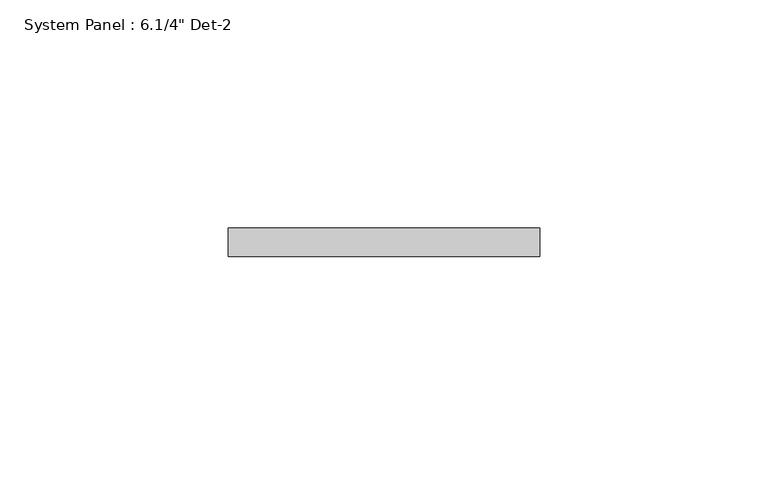
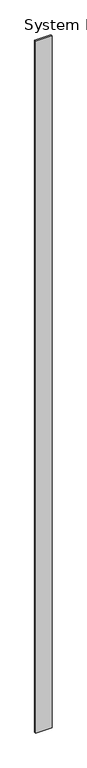
"""IFC4 building model written with IfcOpenShell, lengths in millimetres: plate geometry."""

from ifc_helpers import new_model, si_unit, origin, origin_with_axes, place, context, project, spatial, polyline, outline, extrude, source, transform, mapped, element, save


def plate_7b277104(model_context):
    return source(origin(), model_context, "Body", "SweptSolid", [
        extrude(outline(polyline([(34.1964419, 0.0), (-34.1964419, 0.0), (-34.1964419, 6.35), (34.1964419, 6.35), (34.1964419, 0.0)])), origin_with_axes(), (0.0, 0.0, 1.0), 3048.0),
    ])


if __name__ == "__main__":
    model = new_model("IFC4")
    model_context = context("Model", 3, world=origin())
    ifc_project = project(units=[si_unit("LENGTHUNIT", "METRE", prefix="MILLI")], contexts=[model_context])
    site = spatial("IfcSite", under=ifc_project)
    building = spatial("IfcBuilding", under=site)
    placement = place(None, origin())
    plate_shape = plate_7b277104(model_context)
    element("IfcPlate", 1, ObjectType="System Panel : 6.1/4\" Det-2", at=placement, inside=building, context=model_context, shape_type="MappedRepresentation", body=[
        mapped(plate_shape, transform((0.0, 0.0, 0.0), x_axis=(1.0, 0.0, 0.0), y_axis=(0.0, 1.0, 0.0), z_axis=(0.0, 0.0, 1.0))),
    ])
    save(model, "model.ifc")
